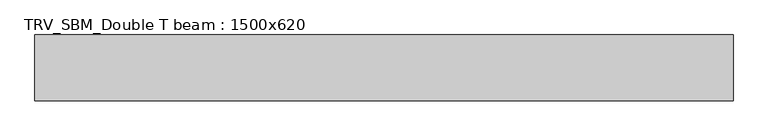
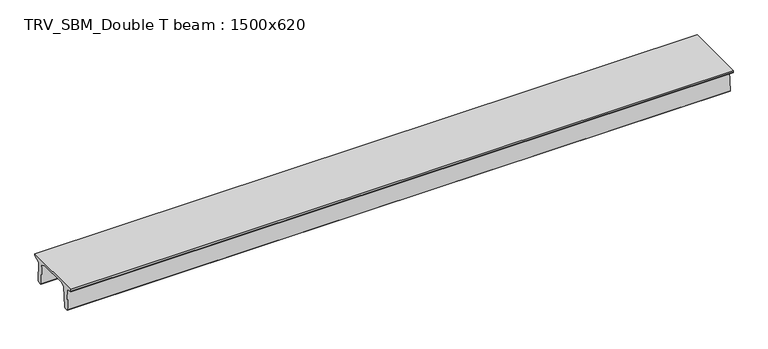
"""IFC4 building model written with IfcOpenShell, lengths in millimetres: beam geometry, TRV_SBM_Double T beam : 1500x620."""

from ifc_helpers import new_model, si_unit, frame, origin, place, context, project, spatial, polyline, outline, extrude, source, transform, mapped, element, save


def trv_sbm_double_t_beam_1500x620_8b9106d2(model_context):
    return source(origin(), model_context, "Body", "SweptSolid", [
        extrude(outline(polyline([(-765.0, 215.0), (-765.0, 260.0), (735.0, 260.0), (735.0, 215.0), (728.2094488, 201.315559), (578.0626443, 140.6523122), (594.8277662, -339.4379646), (574.2657308, -360.0), (484.2657308, -360.0), (464.786332, -340.5206011), (447.8600761, 144.18395), (338.3237744, 210.0), (-367.4555014, 210.0), (-476.5389732, 151.9992892), (-507.0080378, -339.3850967), (-527.622941, -360.0), (-615.122941, -360.0), (-637.1143055, -338.0086356), (-606.1572167, 162.687806), (-761.3068466, 204.260024), (-765.0, 215.0)])), frame((-7971.5, 0.0, 0.0), z_axis=(1.0, 0.0, 0.0), x_axis=(0.0, 1.0, 0.0)), (0.0, 0.0, 1.0), 15943.0),
    ])


if __name__ == "__main__":
    model = new_model("IFC4")
    model_context = context("Model", 3, world=origin())
    ifc_project = project(units=[si_unit("LENGTHUNIT", "METRE", prefix="MILLI")], contexts=[model_context])
    site = spatial("IfcSite", under=ifc_project)
    building = spatial("IfcBuilding", under=site)
    placement = place(None, origin())
    trv_sbm_double_t_beam_1500x620_shape = trv_sbm_double_t_beam_1500x620_8b9106d2(model_context)
    element("IfcBeam", 1, ObjectType="TRV_SBM_Double T beam : 1500x620", at=placement, inside=building, context=model_context, shape_type="MappedRepresentation", body=[
        mapped(trv_sbm_double_t_beam_1500x620_shape, transform((0.0, 0.0, 0.0), x_axis=(1.0, 0.0, 0.0), y_axis=(0.0, 1.0, 0.0), z_axis=(0.0, 0.0, 1.0))),
    ])
    save(model, "model.ifc")
